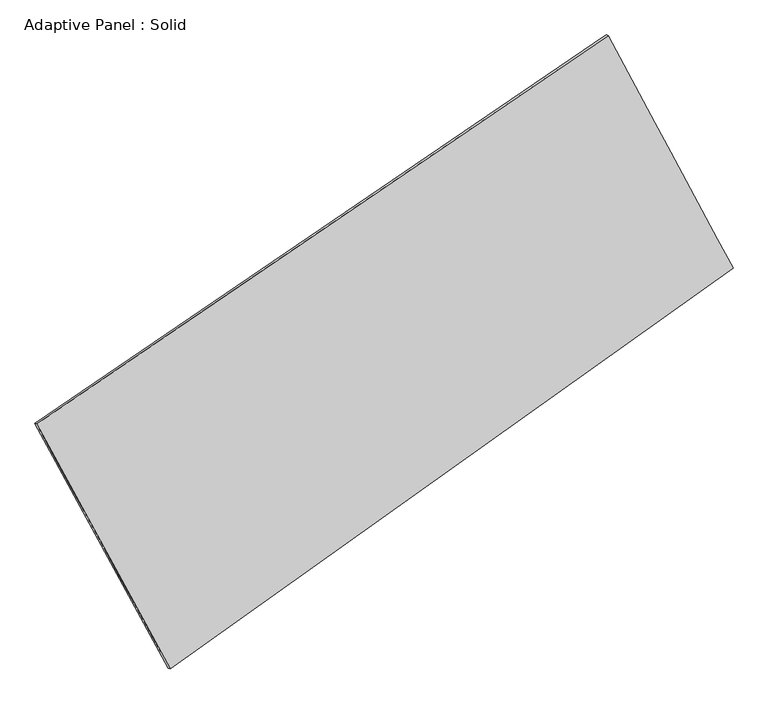
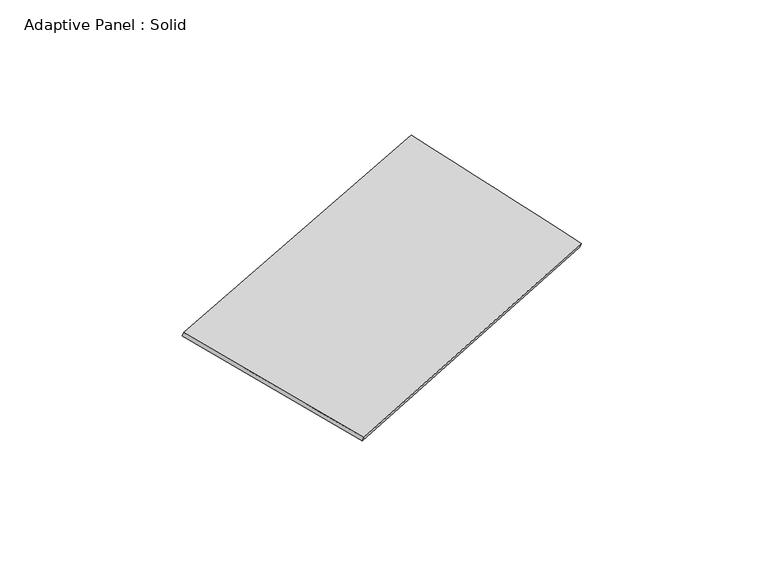
"""IFC4 building model written with IfcOpenShell, lengths in millimetres: plate geometry, Adaptive Panel : Solid."""

import ifcopenshell
import ifcopenshell.guid

model = None  # the IFC model being written
_history = None  # IfcOwnerHistory: only IFC2X3 demands one
_inside = {}  # id of a spatial element -> (the spatial element, [elements in it])
_under = {}  # id of a project, library or spatial element -> (it, [spatial elements below it])
_declared = {}  # id of a project -> (the project, [libraries it declares])
_typed = {}  # id of a type object -> (the type object, [elements of that type])
_made_of = {}  # id of a material, layer set ... -> (it, [elements and type objects made of it])


def new_model(schema):
    """Start an empty IFC model of exactly this schema.

    Asked for "IFC4X3", IfcOpenShell would pick the latest addendum, in which some entities
    have other attributes; the version numbers below select the first issue.
    IFC2X3 requires an IfcOwnerHistory on every rooted entity: one is made here for all.
    """
    global model, _history
    if schema == "IFC4X3":
        model = ifcopenshell.file(schema_version=(4, 3, 0, 0))
    else:
        model = ifcopenshell.file(schema=schema)
    _inside.clear()
    _under.clear()
    _declared.clear()
    _typed.clear()
    _made_of.clear()
    _history = None
    if model.schema == "IFC2X3":
        org = make("IfcOrganization", Name="unknown")
        user = make(
            "IfcPersonAndOrganization",
            ThePerson=make("IfcPerson", FamilyName="unknown"),
            TheOrganization=org,
        )
        app = make(
            "IfcApplication",
            ApplicationDeveloper=org,
            Version="unknown",
            ApplicationFullName="unknown",
            ApplicationIdentifier="unknown",
        )
        _history = make(
            "IfcOwnerHistory",
            OwningUser=user,
            OwningApplication=app,
            ChangeAction="ADDED",
            CreationDate=0,
        )
    return model


def make(cls, **values):
    """One entity of the class cls with the attributes given. An attribute that is None is left unset."""
    return model.create_entity(
        cls, **{name: value for name, value in values.items() if value is not None}
    )


def rooted(cls, **values):
    """An entity with a GlobalId (a new one), such as an element, a storey or a relation."""
    return make(cls, GlobalId=ifcopenshell.guid.new(), OwnerHistory=_history, **values)


def si_unit(unit_type, name, prefix=None):
    """IfcSIUnit, for example si_unit("LENGTHUNIT", "METRE", prefix="MILLI")."""
    return make("IfcSIUnit", UnitType=unit_type, Prefix=prefix, Name=name)


def assignment(units):
    """IfcUnitAssignment: the units of a project."""
    return None if units is None else make("IfcUnitAssignment", Units=units)


def point(xyz):
    """IfcCartesianPoint."""
    return None if xyz is None else make("IfcCartesianPoint", Coordinates=xyz)


def direction(xyz):
    """IfcDirection."""
    return None if xyz is None else make("IfcDirection", DirectionRatios=xyz)


def frame(location, z_axis=None, x_axis=None):
    """IfcAxis2Placement3D, a coordinate frame: its origin and axes. An axis left out is left unset."""
    return make(
        "IfcAxis2Placement3D",
        Location=point(location),
        Axis=direction(z_axis),
        RefDirection=direction(x_axis),
    )


def origin():
    """The frame at (0, 0, 0) with its axes left unset."""
    return frame((0.0, 0.0, 0.0))


def place(relative_to, where):
    """IfcLocalPlacement: puts the frame where relative to a parent placement (None: the world)."""
    return make(
        "IfcLocalPlacement", PlacementRelTo=relative_to, RelativePlacement=where
    )


def context(
    kind, dimensions, precision=None, world=None, true_north=None, identifier=None
):
    """IfcGeometricRepresentationContext, for example the 3D "Model" context."""
    return make(
        "IfcGeometricRepresentationContext",
        ContextIdentifier=identifier,
        ContextType=kind,
        CoordinateSpaceDimension=dimensions,
        Precision=precision,
        WorldCoordinateSystem=world,
        TrueNorth=true_north,
    )


def project(units=None, contexts=None):
    """IfcProject with its units and contexts."""
    return rooted(
        "IfcProject",
        Name="project",
        RepresentationContexts=contexts,
        UnitsInContext=assignment(units),
    )


def spatial(cls, under=None, at=None, **own):
    """A site, building, storey or space (cls), placed at a placement, below another one or the project."""
    s = rooted(cls, ObjectPlacement=at, **own)
    if under is not None:
        _under.setdefault(under.id(), (under, []))[1].append(s)
    return s


def shape(context_of_items, identifier, shape_type, items):
    """IfcShapeRepresentation: the items that make up one representation, for example the "Body"."""
    return make(
        "IfcShapeRepresentation",
        ContextOfItems=context_of_items,
        RepresentationIdentifier=identifier,
        RepresentationType=shape_type,
        Items=items,
    )


def source(mapping_origin, context_of_items, identifier, shape_type, items):
    """IfcRepresentationMap: a shape defined once, which mapped items show again and again."""
    return make(
        "IfcRepresentationMap",
        MappingOrigin=mapping_origin,
        MappedRepresentation=shape(context_of_items, identifier, shape_type, items),
    )


def transform(
    local_origin,
    x_axis=None,
    y_axis=None,
    z_axis=None,
    scale=None,
    scale2=None,
    scale3=None,
    uniform=True,
):
    """IfcCartesianTransformationOperator3D, or its non-uniform kind. x_axis, y_axis, z_axis: its Axis1, 2, 3."""
    if uniform:
        return make(
            "IfcCartesianTransformationOperator3D",
            Axis1=direction(x_axis),
            Axis2=direction(y_axis),
            LocalOrigin=point(local_origin),
            Scale=scale,
            Axis3=direction(z_axis),
        )
    return make(
        "IfcCartesianTransformationOperator3DnonUniform",
        Axis1=direction(x_axis),
        Axis2=direction(y_axis),
        LocalOrigin=point(local_origin),
        Scale=scale,
        Axis3=direction(z_axis),
        Scale2=scale2,
        Scale3=scale3,
    )


def mapped(mapping_source, mapping_target):
    """IfcMappedItem: shows the shape of a source again, moved by a transform."""
    return make(
        "IfcMappedItem", MappingSource=mapping_source, MappingTarget=mapping_target
    )


def made_of(thing, what):
    """Note that an element or type object is made of a material, layer set ...; save() writes the relation."""
    if what is not None:
        _made_of.setdefault(what.id(), (what, []))[1].append(thing)
    return thing


def element(
    cls,
    number,
    at=None,
    inside=None,
    cuts=None,
    type_object=None,
    material=None,
    context=None,
    identifier="Body",
    shape_type=None,
    held_by="IfcProductDefinitionShape",
    body=None,
    shapes=None,
    **own,
):
    """One element of the class cls, such as IfcWall. Its Tag is "e" and its number.

    at: its placement. inside: the storey or other place that contains it. cuts: it is an
    opening in that element (IfcRelVoidsElement). A single representation is given by context,
    identifier, shape_type and body (its items); several are given by shapes. held_by: the class
    of the entity that holds the representations. save() writes the other relations.
    """
    e = rooted(cls, Tag="e%d" % number, ObjectPlacement=at, **own)
    if body is not None:
        shapes = [shape(context, identifier, shape_type, body)]
    if shapes is not None:
        e.Representation = make(held_by, Representations=shapes)
    if inside is not None:
        _inside.setdefault(inside.id(), (inside, []))[1].append(e)
    if cuts is not None:
        rooted(
            "IfcRelVoidsElement", RelatingBuildingElement=cuts, RelatedOpeningElement=e
        )
    if type_object is not None:
        _typed.setdefault(type_object.id(), (type_object, []))[1].append(e)
    return made_of(e, material)


def aggregate(whole, parts):
    """IfcRelAggregates: a whole, such as a stair, and the parts it consists of."""
    return rooted("IfcRelAggregates", RelatingObject=whole, RelatedObjects=parts)


def save(model, path):
    """Write the relations noted so far, then the file.

    IfcRelAggregates (storeys below a building ...), IfcRelContainedInSpatialStructure (elements
    in a storey), IfcRelDefinesByType, IfcRelAssociatesMaterial and IfcRelDeclares: one each for
    every whole, place, type object, material and project.
    """
    for whole, parts in _under.values():
        aggregate(whole, parts)
    for where, things in _inside.values():
        rooted(
            "IfcRelContainedInSpatialStructure",
            RelatedElements=things,
            RelatingStructure=where,
        )
    for kind, things in _typed.values():
        rooted("IfcRelDefinesByType", RelatedObjects=things, RelatingType=kind)
    for what, things in _made_of.values():
        rooted("IfcRelAssociatesMaterial", RelatedObjects=things, RelatingMaterial=what)
    for by, libraries in _declared.values():
        rooted("IfcRelDeclares", RelatingContext=by, RelatedDefinitions=libraries)
    model.write(path)


def plane_surface(at):
    """IfcPlane: the flat surface through the origin of the frame at, square to its z axis."""
    return make("IfcPlane", Position=at)


def spline_surface(u_degree, v_degree, points, u_multiplicities, v_multiplicities, u_knots, v_knots, weights=None):
    """IfcBSplineSurfaceWithKnots; with weights, IfcRationalBSplineSurfaceWithKnots. points: one row for each step in u."""
    own = dict(
        UDegree=u_degree,
        VDegree=v_degree,
        ControlPointsList=[[point(p) for p in row] for row in points],
        SurfaceForm="UNSPECIFIED",
        UClosed=False,
        VClosed=False,
        SelfIntersect=False,
        UMultiplicities=u_multiplicities,
        VMultiplicities=v_multiplicities,
        UKnots=u_knots,
        VKnots=v_knots,
        KnotSpec="UNSPECIFIED",
    )
    if weights is None:
        return make("IfcBSplineSurfaceWithKnots", **own)
    return make("IfcRationalBSplineSurfaceWithKnots", WeightsData=weights, **own)


def advanced_brep(points, edges, surfaces, faces):
    """IfcAdvancedBrep: a solid bounded by faces that lie on surfaces and meet in shared edges.

    An edge is (start, end): straight between two places in points (the first is 0);
    or (start, end, curve); or (start, end, curve, False) where it runs against its curve.
    A face is (place in surfaces, loops), or (place, loops, False) where it looks against
    its surface's normal. A loop lists edges by number (the first is 1), with a minus sign
    where the edge is run from its end to its start. The first loop is the outer one.
    """
    corners = [point(p) for p in points]
    vertices = [make("IfcVertexPoint", VertexGeometry=c) for c in corners]
    made = []
    for start, end, *more in edges:
        made.append(
            make(
                "IfcEdgeCurve",
                EdgeStart=vertices[start],
                EdgeEnd=vertices[end],
                EdgeGeometry=more[0] if more else make("IfcPolyline", Points=[corners[start], corners[end]]),
                SameSense=more[1] if len(more) > 1 else True,
            )
        )
    hull = []
    for where, loops, *sense in faces:
        bounds = []
        for j, loop in enumerate(loops):
            ring = [make("IfcOrientedEdge", EdgeElement=made[abs(k) - 1], Orientation=k > 0) for k in loop]
            bounds.append(
                make(
                    "IfcFaceOuterBound" if j == 0 else "IfcFaceBound",
                    Bound=make("IfcEdgeLoop", EdgeList=ring),
                    Orientation=True,
                )
            )
        hull.append(make("IfcAdvancedFace", Bounds=bounds, FaceSurface=surfaces[where], SameSense=sense[0] if sense else True))
    return make("IfcAdvancedBrep", Outer=make("IfcClosedShell", CfsFaces=hull))


def adaptive_panel_solid_c2a85ed9(model_context):
    return source(origin(), model_context, "Body", "AdvancedBrep", [
        advanced_brep(
        [(1212.2080764, 2543.7073961, 679.5290117), (-3602.187726, -731.4888733, 1672.2008768), (-3587.5213702, -737.8689667, 1719.5737848), (1226.8744323, 2537.3273026, 726.9019197), (-2478.6462506, -2796.2049472, 1101.7719586), (-2463.9798948, -2802.5850406, 1149.1448666), (2265.335322, 583.7378515, 31.6206732), (2280.0016779, 577.357758, 78.9935812)],
        [
            (0, 1),
            (1, 2),
            (2, 3),
            (3, 0),
            (1, 4),
            (4, 5),
            (5, 2),
            (4, 6),
            (6, 7),
            (7, 5),
            (6, 0),
            (3, 7),
        ],
        [
            plane_surface(frame((-1194.9898248, 906.1092614, 1175.8649442), z_axis=(-0.5039191484414252, 0.8215594430646449, 0.2666562831537626), x_axis=(-0.8150548897382467, -0.5544755445378985, 0.16805474472080661))),
            plane_surface(frame((-3040.4169883, -1763.8469102, 1386.9864177), z_axis=(-0.8390382277334161, -0.509385415330755, 0.19115792175654842), x_axis=(0.4644959832392132, -0.8535976141805715, -0.23582746790794532))),
            plane_surface(frame((-106.6554643, -1106.2335478, 566.6963159), z_axis=(0.517684850042771, -0.8119750854227629, -0.2696272550928244), x_axis=(0.8010260515068568, 0.5707067350192631, -0.1806961189704618))),
            plane_surface(frame((1738.7716992, 1563.7226238, 355.5748424), z_axis=(0.8372344733979804, 0.5127194512277218, -0.19015046906792166), x_axis=(-0.45444344483982535, 0.8457622907252923, 0.2795841609054755))),
            spline_surface(1, 1, [[(-3587.5213702, -737.8689667, 1719.5737848), (1226.8744323, 2537.3273026, 726.9019197)], [(-2463.9798948, -2802.5850406, 1149.1448666), (2280.0016779, 577.357758, 78.9935812)]], [2, 2], [2, 2], [0.0, 1.0], [0.0, 1.0]),
            spline_surface(1, 1, [[(2265.335322, 583.7378515, 31.6206732), (1212.2080764, 2543.7073961, 679.5290117)], [(-2478.6462506, -2796.2049472, 1101.7719586), (-3602.187726, -731.4888733, 1672.2008768)]], [2, 2], [2, 2], [0.0, 1.0], [0.0, 1.0]),
        ],
        [
            (0, [[1, 2, 3, 4]]),
            (1, [[5, 6, 7, -2]]),
            (2, [[8, 9, 10, -6]]),
            (3, [[11, -4, 12, -9]]),
            (4, [[-3, -7, -10, -12]]),
            (5, [[-11, -8, -5, -1]]),
        ],
    ),
    ])


if __name__ == "__main__":
    model = new_model("IFC4")
    model_context = context("Model", 3, world=origin())
    ifc_project = project(units=[si_unit("LENGTHUNIT", "METRE", prefix="MILLI")], contexts=[model_context])
    site = spatial("IfcSite", under=ifc_project)
    building = spatial("IfcBuilding", under=site)
    placement = place(None, origin())
    adaptive_panel_solid_shape = adaptive_panel_solid_c2a85ed9(model_context)
    element("IfcPlate", 1, ObjectType="Adaptive Panel : Solid", at=placement, inside=building, context=model_context, shape_type="MappedRepresentation", body=[
        mapped(adaptive_panel_solid_shape, transform((0.0, 0.0, 0.0), x_axis=(1.0, 0.0, 0.0), y_axis=(0.0, 1.0, 0.0), z_axis=(0.0, 0.0, 1.0))),
    ])
    save(model, "model.ifc")
